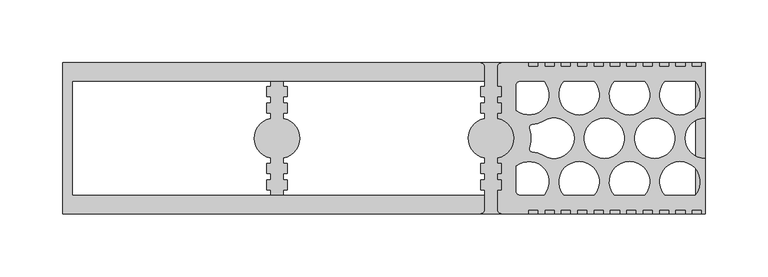
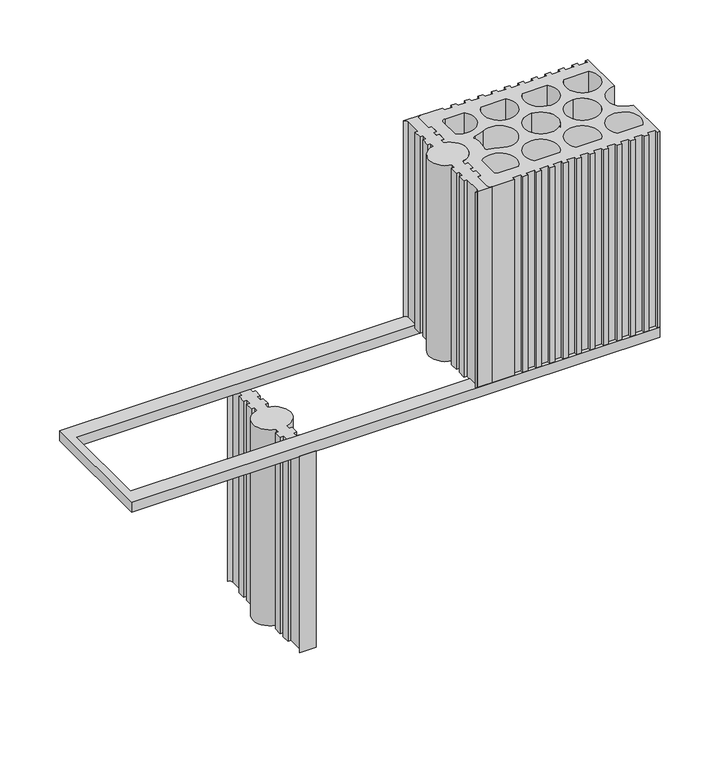
"""IFC4 building model written with IfcOpenShell, lengths in millimetres: plate geometry."""

from ifc_helpers import new_model, si_unit, point, frame, frame_2d, origin, place, context, project, spatial, polyline, circle_curve, trimmed, segment, composite_curve, outline, extrude, source, transform, mapped, element, save
from ifc_brep_helpers import plane_surface, cylinder_surface, revolved_surface, advanced_brep


def plate_8542ffeb(model_context):
    return source(origin(), model_context, "Body", "SolidModel", [
        advanced_brep(
        [(-89.9998399, -40.9999178, 200.0), (-89.9998399, -56.9998835, 200.0), (-92.9997277, -59.9998788, 200.0), (-76.9999521, -59.9998788, 200.0), (-79.9998399, -56.9998835, 200.0), (-79.9998399, -40.9999178, 200.0), (-76.999825, -40.9999178, 200.0), (-76.999825, -32.9999326, 200.0), (-79.9998399, -32.9999326, 200.0), (-79.9998399, -28.0000895, 200.0), (-76.999825, -28.0000895, 200.0), (-76.999825, -19.9999605, 200.0), (-79.9998399, -19.9999605, 200.0), (-79.9998399, -15.7162044, 200.0), (-79.9998399, 15.7162071, 200.0), (-79.9998399, 19.9999578, 200.0), (-76.999825, 19.9999578, 200.0), (-76.999825, 27.999943, 200.0), (-79.9998399, 27.999943, 200.0), (-79.9998399, 32.9999355, 200.0), (-76.999825, 32.9999355, 200.0), (-76.999825, 40.9999207, 200.0), (-79.9998399, 40.9999207, 200.0), (-79.9998399, 56.9998835, 200.0), (-76.999825, 59.9998761, 200.0), (-92.9998548, 59.9998761, 200.0), (-89.9998399, 56.9998835, 200.0), (-89.9998399, 40.9999207, 200.0), (-92.9998548, 40.9999207, 200.0), (-92.9998548, 32.9999355, 200.0), (-89.9998399, 32.9999355, 200.0), (-89.9998399, 27.999943, 200.0), (-92.9998548, 27.999943, 200.0), (-92.9998548, 19.9999578, 200.0), (-89.9998399, 19.9999578, 200.0), (-89.9998399, 15.7162071, 200.0), (-89.9998399, -15.7162044, 200.0), (-89.9998399, -19.9999605, 200.0), (-92.9998548, -19.9999605, 200.0), (-92.9998548, -27.9999419, 200.0), (-89.9998399, -27.9999419, 200.0), (-89.9998399, -32.9999326, 200.0), (-92.9998548, -32.9999326, 200.0), (-92.9998548, -40.9999178, 200.0), (-89.9998399, -40.9999178, 0.0), (-92.9998548, -40.9999178, 0.0), (-92.9998548, -32.9999326, 0.0), (-89.9998399, -32.9999326, 0.0), (-89.9998399, -27.9999419, 0.0), (-92.9998548, -27.9999419, 0.0), (-92.9998548, -19.9999605, 0.0), (-89.9998399, -19.9999605, 0.0), (-89.9998399, -15.7162044, 0.0), (-89.9998399, 15.7162071, 0.0), (-89.9998399, 19.9999578, 0.0), (-92.9998548, 19.9999578, 0.0), (-92.9998548, 27.999943, 0.0), (-89.9998399, 27.999943, 0.0), (-89.9998399, 32.9999355, 0.0), (-92.9998548, 32.9999355, 0.0), (-92.9998548, 40.9999207, 0.0), (-89.9998399, 40.9999207, 0.0), (-89.9998399, 56.9998835, 0.0), (-92.9998548, 59.9998761, 0.0), (-76.999825, 59.9998761, 0.0), (-79.9998399, 56.9998835, 0.0), (-79.9998399, 40.9999207, 0.0), (-76.999825, 40.9999207, 0.0), (-76.999825, 32.9999355, 0.0), (-79.9998399, 32.9999355, 0.0), (-79.9998399, 27.999943, 0.0), (-76.999825, 27.999943, 0.0), (-76.999825, 19.9999578, 0.0), (-79.9998399, 19.9999578, 0.0), (-79.9998399, 15.7162071, 0.0), (-79.9998399, -15.7162044, 0.0), (-79.9998399, -19.9999605, 0.0), (-76.999825, -19.9999605, 0.0), (-76.999825, -28.0000895, 0.0), (-79.9998399, -28.0000895, 0.0), (-79.9998399, -32.9999326, 0.0), (-76.999825, -32.9999326, 0.0), (-76.999825, -40.9999178, 0.0), (-79.9998399, -40.9999178, 0.0), (-79.9998399, -56.9998835, 0.0), (-76.9999521, -59.9998788, 0.0), (-92.9997277, -59.9998788, 0.0), (-89.9998399, -56.9998835, 0.0)],
        [
            (0, 1),
            (1, 2, circle_curve(frame((-92.9378077, -57.0619088, 200.0), z_axis=(0.0, 0.0, -1.0), x_axis=(1.0, 0.0, 0.0)), 2.9386225)),
            (2, 3),
            (3, 4, circle_curve(frame((-77.0618721, -57.0619088, 200.0), z_axis=(0.0, 0.0, -1.0), x_axis=(1.0, 0.0, 0.0)), 2.9386225)),
            (4, 5),
            (5, 6),
            (6, 7),
            (7, 8),
            (8, 9),
            (9, 10),
            (10, 11),
            (11, 12),
            (12, 13),
            (13, 14, circle_curve(frame((-82.9998224, 1.4e-06, 200.0), z_axis=(0.0, 0.0, 1.0), x_axis=(1.0, 0.0, 0.0)), 15.9999693)),
            (14, 15),
            (15, 16),
            (16, 17),
            (17, 18),
            (18, 19),
            (19, 20),
            (20, 21),
            (21, 22),
            (22, 23),
            (23, 24, circle_curve(frame((-77.0618721, 57.0619088, 200.0), z_axis=(0.0, 0.0, -1.0), x_axis=(1.0, 0.0, 0.0)), 2.9386225)),
            (24, 25),
            (25, 26, circle_curve(frame((-92.9378077, 57.0619088, 200.0), z_axis=(0.0, 0.0, -1.0), x_axis=(1.0, 0.0, 0.0)), 2.9386225)),
            (26, 27),
            (27, 28),
            (28, 29),
            (29, 30),
            (30, 31),
            (31, 32),
            (32, 33),
            (33, 34),
            (34, 35),
            (35, 36, circle_curve(frame((-86.9998574, 1.4e-06, 200.0), z_axis=(0.0, 0.0, 1.0), x_axis=(1.0, 0.0, 0.0)), 15.9999693)),
            (36, 37),
            (37, 38),
            (38, 39),
            (39, 40),
            (40, 41),
            (41, 42),
            (42, 43),
            (43, 0),
            (44, 45),
            (45, 46),
            (46, 47),
            (47, 48),
            (48, 49),
            (49, 50),
            (50, 51),
            (51, 52),
            (52, 53, circle_curve(frame((-86.9998574, 1.4e-06, 0.0), z_axis=(0.0, 0.0, -1.0), x_axis=(1.0, 0.0, 0.0)), 15.9999693)),
            (53, 54),
            (54, 55),
            (55, 56),
            (56, 57),
            (57, 58),
            (58, 59),
            (59, 60),
            (60, 61),
            (61, 62),
            (62, 63, circle_curve(frame((-92.9378077, 57.0619088, 0.0), z_axis=(0.0, 0.0, 1.0), x_axis=(1.0, 0.0, 0.0)), 2.9386225)),
            (63, 64),
            (64, 65, circle_curve(frame((-77.0618721, 57.0619088, 0.0), z_axis=(0.0, 0.0, 1.0), x_axis=(1.0, 0.0, 0.0)), 2.9386225)),
            (65, 66),
            (66, 67),
            (67, 68),
            (68, 69),
            (69, 70),
            (70, 71),
            (71, 72),
            (72, 73),
            (73, 74),
            (74, 75, circle_curve(frame((-82.9998224, 1.4e-06, 0.0), z_axis=(0.0, 0.0, -1.0), x_axis=(1.0, 0.0, 0.0)), 15.9999693)),
            (75, 76),
            (76, 77),
            (77, 78),
            (78, 79),
            (79, 80),
            (80, 81),
            (81, 82),
            (82, 83),
            (83, 84),
            (84, 85, circle_curve(frame((-77.0618721, -57.0619088, 0.0), z_axis=(0.0, 0.0, 1.0), x_axis=(1.0, 0.0, 0.0)), 2.9386225)),
            (85, 86),
            (86, 87, circle_curve(frame((-92.9378077, -57.0619088, 0.0), z_axis=(0.0, 0.0, 1.0), x_axis=(1.0, 0.0, 0.0)), 2.9386225)),
            (87, 44),
            (0, 44),
            (87, 1),
            (86, 2),
            (85, 3),
            (84, 4),
            (83, 5),
            (22, 66),
            (65, 23),
            (64, 24),
            (63, 25),
            (62, 26),
            (61, 27),
            (82, 6),
            (81, 7),
            (80, 8),
            (79, 9),
            (78, 10),
            (77, 11),
            (76, 12),
            (75, 13),
            (74, 14),
            (73, 15),
            (72, 16),
            (71, 17),
            (70, 18),
            (69, 19),
            (68, 20),
            (67, 21),
            (60, 28),
            (59, 29),
            (58, 30),
            (57, 31),
            (56, 32),
            (55, 33),
            (54, 34),
            (53, 35),
            (52, 36),
            (51, 37),
            (50, 38),
            (49, 39),
            (48, 40),
            (47, 41),
            (46, 42),
            (45, 43),
        ],
        [
            plane_surface(frame((-89.9998399, -56.9998835, 200.0), z_axis=(0.0, 0.0, 1.0), x_axis=(0.0, -1.0, 0.0))),
            plane_surface(frame((-89.9998399, -56.9998835, 0.0), z_axis=(0.0, 0.0, -1.0), x_axis=(0.0, 1.0, 0.0))),
            plane_surface(frame((-89.9998399, -40.9999178, 200.0), z_axis=(-1.0, 0.0, 0.0), x_axis=(0.0, 0.0, -1.0))),
            revolved_surface(polyline([(-89.9991852, -57.0619088, 0.0), (-89.9991852, -57.0619088, 200.0)]), (-92.9378077, -57.0619088, 0.0), (0.0, 0.0, -1.0)),
            plane_surface(frame((-92.9997277, -59.9998788, 200.0), z_axis=(0.0, -1.0, 0.0), x_axis=(0.0, 0.0, -1.0))),
            revolved_surface(polyline([(-74.12324960000001, -57.0619088, 0.0), (-74.12324960000001, -57.0619088, 200.0)]), (-77.0618721, -57.0619088, 0.0), (0.0, 0.0, -1.0)),
            plane_surface(frame((-79.9998399, -56.9998835, 200.0), z_axis=(1.0, 0.0, 0.0), x_axis=(0.0, 0.0, -1.0))),
            plane_surface(frame((-79.9998399, 40.9999207, 200.0), z_axis=(1.0, 0.0, 0.0), x_axis=(0.0, 0.0, -1.0))),
            revolved_surface(polyline([(-74.12324960000001, 57.0619088, 0.0), (-74.12324960000001, 57.0619088, 200.0)]), (-77.0618721, 57.0619088, 0.0), (0.0, 0.0, -1.0)),
            plane_surface(frame((-76.999825, 59.9998761, 200.0), z_axis=(0.0, 1.0, 0.0), x_axis=(0.0, 0.0, -1.0))),
            revolved_surface(polyline([(-89.9991852, 57.0619088, 0.0), (-89.9991852, 57.0619088, 200.0)]), (-92.9378077, 57.0619088, 0.0), (0.0, 0.0, -1.0)),
            plane_surface(frame((-89.9998399, 56.9998835, 200.0), z_axis=(-1.0, 0.0, 0.0), x_axis=(0.0, 0.0, -1.0))),
            plane_surface(frame((-79.9998399, -40.9999178, 200.0), z_axis=(0.0, -1.0, 0.0), x_axis=(0.0, 0.0, -1.0))),
            plane_surface(frame((-76.999825, -40.9999178, 200.0), z_axis=(1.0, 0.0, 0.0), x_axis=(0.0, 0.0, -1.0))),
            plane_surface(frame((-76.999825, -32.9999326, 200.0), z_axis=(0.0, 1.0, 0.0), x_axis=(0.0, 0.0, -1.0))),
            plane_surface(frame((-79.9998399, -32.9999326, 200.0), z_axis=(1.0, 0.0, 0.0), x_axis=(0.0, 0.0, -1.0))),
            plane_surface(frame((-79.9998399, -28.0000895, 200.0), z_axis=(0.0, -1.0, 0.0), x_axis=(0.0, 0.0, -1.0))),
            plane_surface(frame((-76.999825, -28.0000895, 200.0), z_axis=(1.0, 0.0, 0.0), x_axis=(0.0, 0.0, -1.0))),
            plane_surface(frame((-76.999825, -19.9999605, 200.0), z_axis=(0.0, 1.0, 0.0), x_axis=(0.0, 0.0, -1.0))),
            plane_surface(frame((-79.9998399, -19.9999605, 200.0), z_axis=(1.0, 0.0, 0.0), x_axis=(0.0, 0.0, -1.0))),
            cylinder_surface(frame((-82.9998224, 1.4e-06, 0.0), z_axis=(0.0, 0.0, 1.0), x_axis=(1.0, 0.0, 0.0)), 15.9999693),
            plane_surface(frame((-79.9998399, 15.7162071, 200.0), z_axis=(1.0, 0.0, 0.0), x_axis=(0.0, 0.0, -1.0))),
            plane_surface(frame((-79.9998399, 19.9999578, 200.0), z_axis=(0.0, -1.0, 0.0), x_axis=(0.0, 0.0, -1.0))),
            plane_surface(frame((-76.999825, 19.9999578, 200.0), z_axis=(1.0, 0.0, 0.0), x_axis=(0.0, 0.0, -1.0))),
            plane_surface(frame((-76.999825, 27.999943, 200.0), z_axis=(0.0, 1.0, 0.0), x_axis=(0.0, 0.0, -1.0))),
            plane_surface(frame((-79.9998399, 27.999943, 200.0), z_axis=(1.0, 0.0, 0.0), x_axis=(0.0, 0.0, -1.0))),
            plane_surface(frame((-79.9998399, 32.9999355, 200.0), z_axis=(0.0, -1.0, 0.0), x_axis=(0.0, 0.0, -1.0))),
            plane_surface(frame((-76.999825, 32.9999355, 200.0), z_axis=(1.0, 0.0, 0.0), x_axis=(0.0, 0.0, -1.0))),
            plane_surface(frame((-76.999825, 40.9999207, 200.0), z_axis=(0.0, 1.0, 0.0), x_axis=(0.0, 0.0, -1.0))),
            plane_surface(frame((-89.9998399, 40.9999207, 200.0), z_axis=(0.0, 1.0, 0.0), x_axis=(0.0, 0.0, -1.0))),
            plane_surface(frame((-92.9998548, 40.9999207, 200.0), z_axis=(-1.0, 0.0, 0.0), x_axis=(0.0, 0.0, -1.0))),
            plane_surface(frame((-92.9998548, 32.9999355, 200.0), z_axis=(0.0, -1.0, 0.0), x_axis=(0.0, 0.0, -1.0))),
            plane_surface(frame((-89.9998399, 32.9999355, 200.0), z_axis=(-1.0, 0.0, 0.0), x_axis=(0.0, 0.0, -1.0))),
            plane_surface(frame((-89.9998399, 27.999943, 200.0), z_axis=(0.0, 1.0, 0.0), x_axis=(0.0, 0.0, -1.0))),
            plane_surface(frame((-92.9998548, 27.999943, 200.0), z_axis=(-1.0, 0.0, 0.0), x_axis=(0.0, 0.0, -1.0))),
            plane_surface(frame((-92.9998548, 19.9999578, 200.0), z_axis=(0.0, -1.0, 0.0), x_axis=(0.0, 0.0, -1.0))),
            plane_surface(frame((-89.9998399, 19.9999578, 200.0), z_axis=(-1.0, 0.0, 0.0), x_axis=(0.0, 0.0, -1.0))),
            cylinder_surface(frame((-86.9998574, 1.4e-06, 0.0), z_axis=(0.0, 0.0, 1.0), x_axis=(1.0, 0.0, 0.0)), 15.9999693),
            plane_surface(frame((-89.9998399, -15.7162044, 200.0), z_axis=(-1.0, 0.0, 0.0), x_axis=(0.0, 0.0, -1.0))),
            plane_surface(frame((-89.9998399, -19.9999605, 200.0), z_axis=(0.0, 1.0, 0.0), x_axis=(0.0, 0.0, -1.0))),
            plane_surface(frame((-92.9998548, -19.9999605, 200.0), z_axis=(-1.0, 0.0, 0.0), x_axis=(0.0, 0.0, -1.0))),
            plane_surface(frame((-92.9998548, -27.9999419, 200.0), z_axis=(0.0, -1.0, 0.0), x_axis=(0.0, 0.0, -1.0))),
            plane_surface(frame((-89.9998399, -27.9999419, 200.0), z_axis=(-1.0, 0.0, 0.0), x_axis=(0.0, 0.0, -1.0))),
            plane_surface(frame((-89.9998399, -32.9999326, 200.0), z_axis=(0.0, 1.0, 0.0), x_axis=(0.0, 0.0, -1.0))),
            plane_surface(frame((-92.9998548, -32.9999326, 200.0), z_axis=(-1.0, 0.0, 0.0), x_axis=(0.0, 0.0, -1.0))),
            plane_surface(frame((-92.9998548, -40.9999178, 200.0), z_axis=(0.0, -1.0, 0.0), x_axis=(0.0, 0.0, -1.0))),
        ],
        [
            (0, [[1, 2, 3, 4, 5, 6, 7, 8, 9, 10, 11, 12, 13, 14, 15, 16, 17, 18, 19, 20, 21, 22, 23, 24, 25, 26, 27, 28, 29, 30, 31, 32, 33, 34, 35, 36, 37, 38, 39, 40, 41, 42, 43, 44]]),
            (1, [[45, 46, 47, 48, 49, 50, 51, 52, 53, 54, 55, 56, 57, 58, 59, 60, 61, 62, 63, 64, 65, 66, 67, 68, 69, 70, 71, 72, 73, 74, 75, 76, 77, 78, 79, 80, 81, 82, 83, 84, 85, 86, 87, 88]]),
            (2, [[-1, 89, -88, 90]]),
            (3, [[-2, -90, -87, 91]]),
            (4, [[-3, -91, -86, 92]]),
            (5, [[-4, -92, -85, 93]]),
            (6, [[-5, -93, -84, 94]]),
            (7, [[-23, 95, -66, 96]]),
            (8, [[-24, -96, -65, 97]]),
            (9, [[-25, -97, -64, 98]]),
            (10, [[-26, -98, -63, 99]]),
            (11, [[-27, -99, -62, 100]]),
            (12, [[-6, -94, -83, 101]]),
            (13, [[-7, -101, -82, 102]]),
            (14, [[-8, -102, -81, 103]]),
            (15, [[-9, -103, -80, 104]]),
            (16, [[-10, -104, -79, 105]]),
            (17, [[-11, -105, -78, 106]]),
            (18, [[-12, -106, -77, 107]]),
            (19, [[-13, -107, -76, 108]]),
            (20, [[-14, -108, -75, 109]]),
            (21, [[-15, -109, -74, 110]]),
            (22, [[-16, -110, -73, 111]]),
            (23, [[-17, -111, -72, 112]]),
            (24, [[-18, -112, -71, 113]]),
            (25, [[-19, -113, -70, 114]]),
            (26, [[-20, -114, -69, 115]]),
            (27, [[-21, -115, -68, 116]]),
            (28, [[-22, -116, -67, -95]]),
            (29, [[-28, -100, -61, 117]]),
            (30, [[-29, -117, -60, 118]]),
            (31, [[-30, -118, -59, 119]]),
            (32, [[-31, -119, -58, 120]]),
            (33, [[-32, -120, -57, 121]]),
            (34, [[-33, -121, -56, 122]]),
            (35, [[-34, -122, -55, 123]]),
            (36, [[-35, -123, -54, 124]]),
            (37, [[-36, -124, -53, 125]]),
            (38, [[-37, -125, -52, 126]]),
            (39, [[-38, -126, -51, 127]]),
            (40, [[-39, -127, -50, 128]]),
            (41, [[-40, -128, -49, 129]]),
            (42, [[-41, -129, -48, 130]]),
            (43, [[-42, -130, -47, 131]]),
            (44, [[-43, -131, -46, 132]]),
            (45, [[-44, -132, -45, -89]]),
        ],
    ),
        extrude(outline(polyline([(-254.9995197, 59.9998801), (254.9995197, 59.9998801), (254.9995197, -59.9998788), (-254.9995197, -59.9998788), (-254.9995197, 59.9998801)]), holes=[polyline([(247.1934492, 44.9999121), (-247.1934394, 44.9999121), (-247.1934394, -44.9999108), (247.1934492, -44.9999108), (247.1934492, 44.9999121)])]), frame((0.0, 0.0, 200.0), z_axis=(0.0, 0.0, 1.0), x_axis=(1.0, 0.0, 0.0)), (0.0, 0.0, 1.0), 10.0),
        advanced_brep(
        [(89.9998399, 40.9999193, 410.0), (89.9998399, 56.9998822, 410.0), (92.9995342, 59.9998815, 410.0), (77.0001456, 59.9998815, 410.0), (79.9998399, 56.9998822, 410.0), (79.9998399, 40.9999193, 410.0), (76.999825, 40.9999193, 410.0), (76.999825, 32.9999342, 410.0), (79.9998399, 32.9999342, 410.0), (79.9998399, 27.9999416, 410.0), (76.999825, 27.9999416, 410.0), (76.999825, 19.9999565, 410.0), (79.9998399, 19.9999565, 410.0), (79.9998399, 15.7162058, 410.0), (79.9998399, -15.7162058, 410.0), (79.9998399, -19.9999618, 410.0), (76.999825, -19.9999618, 410.0), (76.999825, -27.9999433, 410.0), (79.9998399, -27.9999433, 410.0), (79.9998399, -32.999934, 410.0), (76.999825, -32.999934, 410.0), (76.999825, -40.9999191, 410.0), (79.9998399, -40.9999191, 410.0), (79.9998399, -56.9998849, 410.0), (76.9998878, -59.9998788, 410.0), (92.999792, -59.9998788, 410.0), (89.9998399, -56.9998849, 410.0), (89.9998399, -40.9999191, 410.0), (92.9998548, -40.9999191, 410.0), (92.9998548, -32.999934, 410.0), (89.9998399, -32.999934, 410.0), (89.9998399, -28.0000909, 410.0), (92.9998548, -28.0000909, 410.0), (92.9998548, -19.9999618, 410.0), (89.9998399, -19.9999618, 410.0), (89.9998399, -15.7162058, 410.0), (89.9998399, 15.7162058, 410.0), (89.9998399, 19.9999565, 410.0), (92.9998548, 19.9999565, 410.0), (92.9998548, 27.9999416, 410.0), (89.9998399, 27.9999416, 410.0), (89.9998399, 32.9999342, 410.0), (92.9998548, 32.9999342, 410.0), (92.9998548, 40.9999193, 410.0), (89.9998399, 40.9999193, 210.0), (92.9998548, 40.9999193, 210.0), (92.9998548, 32.9999342, 210.0), (89.9998399, 32.9999342, 210.0), (89.9998399, 27.9999416, 210.0), (92.9998548, 27.9999416, 210.0), (92.9998548, 19.9999565, 210.0), (89.9998399, 19.9999565, 210.0), (89.9998399, 15.7162058, 210.0), (89.9998399, -15.7162058, 210.0), (89.9998399, -19.9999618, 210.0), (92.9998548, -19.9999618, 210.0), (92.9998548, -28.0000909, 210.0), (89.9998399, -28.0000909, 210.0), (89.9998399, -32.999934, 210.0), (92.9998548, -32.999934, 210.0), (92.9998548, -40.9999191, 210.0), (89.9998399, -40.9999191, 210.0), (89.9998399, -56.9998849, 210.0), (92.999792, -59.9998788, 210.0), (76.9998878, -59.9998788, 210.0), (79.9998399, -56.9998849, 210.0), (79.9998399, -40.9999191, 210.0), (76.999825, -40.9999191, 210.0), (76.999825, -32.999934, 210.0), (79.9998399, -32.999934, 210.0), (79.9998399, -27.9999433, 210.0), (76.999825, -27.9999433, 210.0), (76.999825, -19.9999618, 210.0), (79.9998399, -19.9999618, 210.0), (79.9998399, -15.7162058, 210.0), (79.9998399, 15.7162058, 210.0), (79.9998399, 19.9999565, 210.0), (76.999825, 19.9999565, 210.0), (76.999825, 27.9999416, 210.0), (79.9998399, 27.9999416, 210.0), (79.9998399, 32.9999342, 210.0), (76.999825, 32.9999342, 210.0), (76.999825, 40.9999193, 210.0), (79.9998399, 40.9999193, 210.0), (79.9998399, 56.9998822, 210.0), (77.0001456, 59.9998815, 210.0), (92.9995342, 59.9998815, 210.0), (89.9998399, 56.9998822, 210.0)],
        [
            (0, 1),
            (1, 2, circle_curve(frame((92.9378077, 57.0619074, 410.0), z_axis=(0.0, 0.0, -1.0), x_axis=(0.0, 1.0, 0.0)), 2.9386225)),
            (2, 3),
            (3, 4, circle_curve(frame((77.0618721, 57.0619074, 410.0), z_axis=(0.0, 0.0, -1.0), x_axis=(0.0, 1.0, 0.0)), 2.9386225)),
            (4, 5),
            (5, 6),
            (6, 7),
            (7, 8),
            (8, 9),
            (9, 10),
            (10, 11),
            (11, 12),
            (12, 13),
            (13, 14, circle_curve(frame((82.9998224, 0.0, 410.0), z_axis=(0.0, 0.0, 1.0), x_axis=(0.0, 1.0, 0.0)), 15.9999693)),
            (14, 15),
            (15, 16),
            (16, 17),
            (17, 18),
            (18, 19),
            (19, 20),
            (20, 21),
            (21, 22),
            (22, 23),
            (23, 24, circle_curve(frame((77.0618721, -57.0619101, 410.0), z_axis=(0.0, 0.0, -1.0), x_axis=(0.0, 1.0, 0.0)), 2.9386225)),
            (24, 25),
            (25, 26, circle_curve(frame((92.9378077, -57.0619101, 410.0), z_axis=(0.0, 0.0, -1.0), x_axis=(0.0, 1.0, 0.0)), 2.9386225)),
            (26, 27),
            (27, 28),
            (28, 29),
            (29, 30),
            (30, 31),
            (31, 32),
            (32, 33),
            (33, 34),
            (34, 35),
            (35, 36, circle_curve(frame((86.9998574, 0.0, 410.0), z_axis=(0.0, 0.0, 1.0), x_axis=(0.0, 1.0, 0.0)), 15.9999693)),
            (36, 37),
            (37, 38),
            (38, 39),
            (39, 40),
            (40, 41),
            (41, 42),
            (42, 43),
            (43, 0),
            (44, 45),
            (45, 46),
            (46, 47),
            (47, 48),
            (48, 49),
            (49, 50),
            (50, 51),
            (51, 52),
            (52, 53, circle_curve(frame((86.9998574, 0.0, 210.0), z_axis=(0.0, 0.0, -1.0), x_axis=(0.0, 1.0, 0.0)), 15.9999693)),
            (53, 54),
            (54, 55),
            (55, 56),
            (56, 57),
            (57, 58),
            (58, 59),
            (59, 60),
            (60, 61),
            (61, 62),
            (62, 63, circle_curve(frame((92.9378077, -57.0619101, 210.0), z_axis=(0.0, 0.0, 1.0), x_axis=(0.0, 1.0, 0.0)), 2.9386225)),
            (63, 64),
            (64, 65, circle_curve(frame((77.0618721, -57.0619101, 210.0), z_axis=(0.0, 0.0, 1.0), x_axis=(0.0, 1.0, 0.0)), 2.9386225)),
            (65, 66),
            (66, 67),
            (67, 68),
            (68, 69),
            (69, 70),
            (70, 71),
            (71, 72),
            (72, 73),
            (73, 74),
            (74, 75, circle_curve(frame((82.9998224, 0.0, 210.0), z_axis=(0.0, 0.0, -1.0), x_axis=(0.0, 1.0, 0.0)), 15.9999693)),
            (75, 76),
            (76, 77),
            (77, 78),
            (78, 79),
            (79, 80),
            (80, 81),
            (81, 82),
            (82, 83),
            (83, 84),
            (84, 85, circle_curve(frame((77.0618721, 57.0619074, 210.0), z_axis=(0.0, 0.0, 1.0), x_axis=(0.0, 1.0, 0.0)), 2.9386225)),
            (85, 86),
            (86, 87, circle_curve(frame((92.9378077, 57.0619074, 210.0), z_axis=(0.0, 0.0, 1.0), x_axis=(0.0, 1.0, 0.0)), 2.9386225)),
            (87, 44),
            (0, 44),
            (87, 1),
            (2, 86),
            (85, 3),
            (4, 84),
            (83, 5),
            (22, 66),
            (65, 23),
            (24, 64),
            (63, 25),
            (26, 62),
            (61, 27),
            (82, 6),
            (81, 7),
            (80, 8),
            (79, 9),
            (78, 10),
            (77, 11),
            (76, 12),
            (75, 13),
            (74, 14),
            (73, 15),
            (72, 16),
            (71, 17),
            (70, 18),
            (69, 19),
            (68, 20),
            (67, 21),
            (60, 28),
            (59, 29),
            (58, 30),
            (57, 31),
            (56, 32),
            (55, 33),
            (54, 34),
            (53, 35),
            (52, 36),
            (51, 37),
            (50, 38),
            (49, 39),
            (48, 40),
            (47, 41),
            (46, 42),
            (45, 43),
        ],
        [
            plane_surface(frame((89.9998399, 47.1241744, 410.0), z_axis=(0.0, 0.0, 1.0), x_axis=(0.0, 1.0, 0.0))),
            plane_surface(frame((89.9998399, 47.1241744, 210.0), z_axis=(0.0, 0.0, -1.0), x_axis=(0.0, -1.0, 0.0))),
            plane_surface(frame((89.9998399, 40.9999193, 410.0), z_axis=(1.0, 0.0, 0.0), x_axis=(0.0, 0.0, -1.0))),
            plane_surface(frame((92.9995342, 59.9998815, 410.0), z_axis=(0.0, 1.0, 0.0), x_axis=(0.0, 0.0, -1.0))),
            plane_surface(frame((79.9998399, 56.9998822, 410.0), z_axis=(-1.0, 0.0, 0.0), x_axis=(0.0, 0.0, -1.0))),
            plane_surface(frame((79.9998399, -40.9999191, 410.0), z_axis=(-1.0, 0.0, 0.0), x_axis=(0.0, 0.0, -1.0))),
            plane_surface(frame((76.9998878, -59.9998788, 410.0), z_axis=(0.0, -1.0, 0.0), x_axis=(0.0, 0.0, -1.0))),
            plane_surface(frame((89.9998399, -56.9998849, 410.0), z_axis=(1.0, 0.0, 0.0), x_axis=(0.0, 0.0, -1.0))),
            revolved_surface(polyline([(92.9378077, 60.000529900000004, 210.0), (92.9378077, 60.000529900000004, 410.0)]), (92.9378077, 57.0619074, 210.0), (0.0, 0.0, -1.0)),
            revolved_surface(polyline([(77.0618721, 60.000529900000004, 210.0), (77.0618721, 60.000529900000004, 410.0)]), (77.0618721, 57.0619074, 210.0), (0.0, 0.0, -1.0)),
            revolved_surface(polyline([(77.0618721, -54.1232876, 210.0), (77.0618721, -54.1232876, 410.0)]), (77.0618721, -57.0619101, 210.0), (0.0, 0.0, -1.0)),
            revolved_surface(polyline([(92.9378077, -54.1232876, 210.0), (92.9378077, -54.1232876, 410.0)]), (92.9378077, -57.0619101, 210.0), (0.0, 0.0, -1.0)),
            plane_surface(frame((79.9998399, 40.9999193, 410.0), z_axis=(0.0, 1.0, 0.0), x_axis=(0.0, 0.0, -1.0))),
            plane_surface(frame((76.999825, 40.9999193, 410.0), z_axis=(-1.0, 0.0, 0.0), x_axis=(0.0, 0.0, -1.0))),
            plane_surface(frame((76.999825, 32.9999342, 410.0), z_axis=(0.0, -1.0, 0.0), x_axis=(0.0, 0.0, -1.0))),
            plane_surface(frame((79.9998399, 32.9999342, 410.0), z_axis=(-1.0, 0.0, 0.0), x_axis=(0.0, 0.0, -1.0))),
            plane_surface(frame((79.9998399, 27.9999416, 410.0), z_axis=(0.0, 1.0, 0.0), x_axis=(0.0, 0.0, -1.0))),
            plane_surface(frame((76.999825, 27.9999416, 410.0), z_axis=(-1.0, 0.0, 0.0), x_axis=(0.0, 0.0, -1.0))),
            plane_surface(frame((76.999825, 19.9999565, 410.0), z_axis=(0.0, -1.0, 0.0), x_axis=(0.0, 0.0, -1.0))),
            plane_surface(frame((79.9998399, 19.9999565, 410.0), z_axis=(-1.0, 0.0, 0.0), x_axis=(0.0, 0.0, -1.0))),
            cylinder_surface(frame((82.9998224, 0.0, 210.0), z_axis=(0.0, 0.0, 1.0), x_axis=(0.0, 1.0, 0.0)), 15.9999693),
            plane_surface(frame((79.9998399, -15.7162058, 410.0), z_axis=(-1.0, 0.0, 0.0), x_axis=(0.0, 0.0, -1.0))),
            plane_surface(frame((79.9998399, -19.9999618, 410.0), z_axis=(0.0, 1.0, 0.0), x_axis=(0.0, 0.0, -1.0))),
            plane_surface(frame((76.999825, -19.9999618, 410.0), z_axis=(-1.0, 0.0, 0.0), x_axis=(0.0, 0.0, -1.0))),
            plane_surface(frame((76.999825, -27.9999433, 410.0), z_axis=(0.0, -1.0, 0.0), x_axis=(0.0, 0.0, -1.0))),
            plane_surface(frame((79.9998399, -27.9999433, 410.0), z_axis=(-1.0, 0.0, 0.0), x_axis=(0.0, 0.0, -1.0))),
            plane_surface(frame((79.9998399, -32.999934, 410.0), z_axis=(0.0, 1.0, 0.0), x_axis=(0.0, 0.0, -1.0))),
            plane_surface(frame((76.999825, -32.999934, 410.0), z_axis=(-1.0, 0.0, 0.0), x_axis=(0.0, 0.0, -1.0))),
            plane_surface(frame((76.999825, -40.9999191, 410.0), z_axis=(0.0, -1.0, 0.0), x_axis=(0.0, 0.0, -1.0))),
            plane_surface(frame((89.9998399, -40.9999191, 410.0), z_axis=(0.0, -1.0, 0.0), x_axis=(0.0, 0.0, -1.0))),
            plane_surface(frame((92.9998548, -40.9999191, 410.0), z_axis=(1.0, 0.0, 0.0), x_axis=(0.0, 0.0, -1.0))),
            plane_surface(frame((92.9998548, -32.999934, 410.0), z_axis=(0.0, 1.0, 0.0), x_axis=(0.0, 0.0, -1.0))),
            plane_surface(frame((89.9998399, -32.999934, 410.0), z_axis=(1.0, 0.0, 0.0), x_axis=(0.0, 0.0, -1.0))),
            plane_surface(frame((89.9998399, -28.0000909, 410.0), z_axis=(0.0, -1.0, 0.0), x_axis=(0.0, 0.0, -1.0))),
            plane_surface(frame((92.9998548, -28.0000909, 410.0), z_axis=(1.0, 0.0, 0.0), x_axis=(0.0, 0.0, -1.0))),
            plane_surface(frame((92.9998548, -19.9999618, 410.0), z_axis=(0.0, 1.0, 0.0), x_axis=(0.0, 0.0, -1.0))),
            plane_surface(frame((89.9998399, -19.9999618, 410.0), z_axis=(1.0, 0.0, 0.0), x_axis=(0.0, 0.0, -1.0))),
            cylinder_surface(frame((86.9998574, 0.0, 210.0), z_axis=(0.0, 0.0, 1.0), x_axis=(0.0, 1.0, 0.0)), 15.9999693),
            plane_surface(frame((89.9998399, 15.7162058, 410.0), z_axis=(1.0, 0.0, 0.0), x_axis=(0.0, 0.0, -1.0))),
            plane_surface(frame((89.9998399, 19.9999565, 410.0), z_axis=(0.0, -1.0, 0.0), x_axis=(0.0, 0.0, -1.0))),
            plane_surface(frame((92.9998548, 19.9999565, 410.0), z_axis=(1.0, 0.0, 0.0), x_axis=(0.0, 0.0, -1.0))),
            plane_surface(frame((92.9998548, 27.9999416, 410.0), z_axis=(0.0, 1.0, 0.0), x_axis=(0.0, 0.0, -1.0))),
            plane_surface(frame((89.9998399, 27.9999416, 410.0), z_axis=(1.0, 0.0, 0.0), x_axis=(0.0, 0.0, -1.0))),
            plane_surface(frame((89.9998399, 32.9999342, 410.0), z_axis=(0.0, -1.0, 0.0), x_axis=(0.0, 0.0, -1.0))),
            plane_surface(frame((92.9998548, 32.9999342, 410.0), z_axis=(1.0, 0.0, 0.0), x_axis=(0.0, 0.0, -1.0))),
            plane_surface(frame((92.9998548, 40.9999193, 410.0), z_axis=(0.0, 1.0, 0.0), x_axis=(0.0, 0.0, -1.0))),
        ],
        [
            (0, [[1, 2, 3, 4, 5, 6, 7, 8, 9, 10, 11, 12, 13, 14, 15, 16, 17, 18, 19, 20, 21, 22, 23, 24, 25, 26, 27, 28, 29, 30, 31, 32, 33, 34, 35, 36, 37, 38, 39, 40, 41, 42, 43, 44]]),
            (1, [[45, 46, 47, 48, 49, 50, 51, 52, 53, 54, 55, 56, 57, 58, 59, 60, 61, 62, 63, 64, 65, 66, 67, 68, 69, 70, 71, 72, 73, 74, 75, 76, 77, 78, 79, 80, 81, 82, 83, 84, 85, 86, 87, 88]]),
            (2, [[-1, 89, -88, 90]]),
            (3, [[-3, 91, -86, 92]]),
            (4, [[-5, 93, -84, 94]]),
            (5, [[-23, 95, -66, 96]]),
            (6, [[-25, 97, -64, 98]]),
            (7, [[-27, 99, -62, 100]]),
            (8, [[-2, -90, -87, -91]]),
            (9, [[-4, -92, -85, -93]]),
            (10, [[-24, -96, -65, -97]]),
            (11, [[-26, -98, -63, -99]]),
            (12, [[-6, -94, -83, 101]]),
            (13, [[-7, -101, -82, 102]]),
            (14, [[-8, -102, -81, 103]]),
            (15, [[-9, -103, -80, 104]]),
            (16, [[-10, -104, -79, 105]]),
            (17, [[-11, -105, -78, 106]]),
            (18, [[-12, -106, -77, 107]]),
            (19, [[-13, -107, -76, 108]]),
            (20, [[-14, -108, -75, 109]]),
            (21, [[-15, -109, -74, 110]]),
            (22, [[-16, -110, -73, 111]]),
            (23, [[-17, -111, -72, 112]]),
            (24, [[-18, -112, -71, 113]]),
            (25, [[-19, -113, -70, 114]]),
            (26, [[-20, -114, -69, 115]]),
            (27, [[-21, -115, -68, 116]]),
            (28, [[-22, -116, -67, -95]]),
            (29, [[-28, -100, -61, 117]]),
            (30, [[-29, -117, -60, 118]]),
            (31, [[-30, -118, -59, 119]]),
            (32, [[-31, -119, -58, 120]]),
            (33, [[-32, -120, -57, 121]]),
            (34, [[-33, -121, -56, 122]]),
            (35, [[-34, -122, -55, 123]]),
            (36, [[-35, -123, -54, 124]]),
            (37, [[-36, -124, -53, 125]]),
            (38, [[-37, -125, -52, 126]]),
            (39, [[-38, -126, -51, 127]]),
            (40, [[-39, -127, -50, 128]]),
            (41, [[-40, -128, -49, 129]]),
            (42, [[-41, -129, -48, 130]]),
            (43, [[-42, -130, -47, 131]]),
            (44, [[-43, -131, -46, 132]]),
            (45, [[-44, -132, -45, -89]]),
        ],
    ),
        extrude(outline(composite_curve([segment(trimmed(circle_curve(frame_2d((92.9378077, -57.0619101)), 2.9386225), [point((92.9997277, -59.9998801))], [point((89.9998399, -56.9998849))], False, "CARTESIAN"), True, "CONTINUOUS"), segment(polyline([(89.9998399, -56.9998849), (89.9998399, -40.9999191), (92.9998548, -40.9999191), (92.9998548, -32.999934), (89.9998399, -32.999934), (89.9998399, -28.0000909), (92.9998548, -28.0000909), (92.9998548, -19.9999618), (89.9998399, -19.9999618), (89.9998399, -15.7162058)]), True, "CONTINUOUS"), segment(trimmed(circle_curve(frame_2d((86.9998574, 0.0)), 15.9999693), [point((89.9998399, -15.7162058))], [point((89.9998399, 15.7162058))], True, "CARTESIAN"), True, "CONTINUOUS"), segment(polyline([(89.9998399, 15.7162058), (89.9998399, 19.9999565), (92.9998548, 19.9999565), (92.9998548, 27.9999416), (89.9998399, 27.9999416), (89.9998399, 32.9999342), (92.9998548, 32.9999342), (92.9998548, 40.9999193), (89.9998399, 40.9999193), (89.9998399, 56.9998822)]), True, "CONTINUOUS"), segment(trimmed(circle_curve(frame_2d((92.9378077, 57.0619074)), 2.9386225), [point((89.9998399, 56.9998822))], [point((92.9998548, 59.9998747))], False, "CARTESIAN"), True, "CONTINUOUS"), segment(polyline([(92.9998548, 59.9998747), (114.4998029, 59.9998747), (114.4998029, 56.9998862), (122.4997862, 56.9998862), (122.4997862, 59.9998801), (127.4997787, 59.9998801), (127.4997787, 56.9998862), (135.4997602, 56.9998862), (135.4997602, 59.9998801), (140.4997527, 59.9998801), (140.4997527, 56.9998862), (148.4997342, 56.9998862), (148.4997342, 59.9998801), (153.4997267, 59.9998801), (153.4997267, 56.9998862), (161.4997119, 56.9998862), (161.4997119, 59.9998801), (166.499697, 59.9998801), (166.499697, 56.9998862), (174.4996822, 56.9998862), (174.4996822, 59.9998801), (179.4996748, 59.9998801), (179.4996748, 56.9998862), (187.4996525, 56.9998862), (187.4996525, 59.9998801), (192.499645, 59.9998801), (192.499645, 56.9998862), (200.4996302, 56.9998862), (200.4996302, 59.9998801), (205.4996228, 59.9998801), (205.4996228, 56.9998862), (213.4996005, 56.9998862), (213.4996005, 59.9998801), (218.4995931, 59.9998801), (218.4995931, 56.9998862), (226.4995782, 56.9998862), (226.4995782, 59.9998801), (231.4995633, 59.9998801), (231.4995633, 56.9998862), (239.4995485, 56.9998862), (239.4995485, 59.9998801), (244.4995336, 59.9998801), (244.4995336, 56.9998862), (252.4995188, 56.9998862), (252.4995188, 59.9998801), (254.9995197, 59.9998801), (254.9995197, 15.9999663)]), True, "CONTINUOUS"), segment(trimmed(circle_curve(frame_2d((254.9995188, 0.0)), 15.9999663), [point((254.9995197, 15.9999663))], [point((254.9995188, -15.9999663))], True, "CARTESIAN"), True, "CONTINUOUS"), segment(polyline([(254.9995188, -15.9999663), (254.9995188, -59.9998801), (252.4995188, -59.9998801), (252.4995188, -56.9998862), (244.4995336, -56.9998862), (244.4995336, -59.9998801), (239.4995485, -59.9998801), (239.4995485, -56.9998862), (231.4995633, -56.9998862), (231.4995633, -59.9998801), (226.4995782, -59.9998801), (226.4995782, -56.9998862), (218.4995931, -56.9998862), (218.4995931, -59.9998801), (213.4996005, -59.9998801), (213.4996005, -56.9998862), (205.4996228, -56.9998862), (205.4996228, -59.9998801), (200.4996302, -59.9998801), (200.4996302, -56.9998862), (192.499645, -56.9998862), (192.499645, -59.9998801), (187.4996525, -59.9998801), (187.4996525, -56.9998862), (179.4996748, -56.9998862), (179.4996748, -59.9998801), (174.4996822, -59.9998801), (174.4996822, -56.9998862), (166.499697, -56.9998862), (166.499697, -59.9998801), (161.4997119, -59.9998801), (161.4997119, -56.9998862), (153.4997267, -56.9998862), (153.4997267, -59.9998801), (148.4997342, -59.9998801), (148.4997342, -56.9998862), (140.4997527, -56.9998862), (140.4997527, -59.9998801), (135.4997602, -59.9998801), (135.4997602, -56.9998862), (127.4997787, -56.9998862), (127.4997787, -59.9998801), (122.4997862, -59.9998801), (122.4997862, -56.9998862), (114.4998029, -56.9998862), (114.4998029, -59.9998801), (92.9997277, -59.9998801)]), True, "CONTINUOUS")], self_intersect=False), holes=[composite_curve([segment(trimmed(circle_curve(frame_2d((117.7691773, -8.7889102)), 1.999996), [point((115.8460949, -8.2396034))], [point((117.5561484, -10.7775285))], True, "CARTESIAN"), True, "CONTINUOUS"), segment(trimmed(circle_curve(frame_2d((114.9998025, -34.6409475)), 23.9999515), [point((117.5561484, -10.7775285))], [point((126.9997783, -13.8563798))], False, "CARTESIAN"), True, "CONTINUOUS"), segment(trimmed(circle_curve(frame_2d((134.9997621, -1.4e-06)), 15.9999677), [point((126.9997783, -13.8563798))], [point((126.9997783, 13.8563771))], True, "CARTESIAN"), True, "CONTINUOUS"), segment(trimmed(circle_curve(frame_2d((114.9998025, 34.6409448)), 23.9999515), [point((126.9997783, 13.8563771))], [point((117.5561484, 10.7775258))], False, "CARTESIAN"), True, "CONTINUOUS"), segment(trimmed(circle_curve(frame_2d((117.7691773, 8.7889075)), 1.999996), [point((117.5561484, 10.7775258))], [point((115.8460949, 8.2396007))], True, "CARTESIAN"), True, "CONTINUOUS"), segment(trimmed(circle_curve(frame_2d((86.9998591, -1.4e-06)), 29.9999394), [point((115.8460949, 8.2396007))], [point((115.8460949, -8.2396034))], False, "CARTESIAN"), True, "CONTINUOUS")], self_intersect=False), composite_curve([segment(polyline([(127.1936889, 44.9999081), (107.9998155, 44.9999081)]), True, "CONTINUOUS"), segment(trimmed(circle_curve(frame_2d((107.9998155, 41.9999176)), 2.9999904), [point((107.9998155, 44.9999081))], [point((104.9998251, 41.9999176))], True, "CARTESIAN"), True, "CONTINUOUS"), segment(polyline([(104.9998251, 41.9999176), (104.9998251, 22.1509747)]), True, "CONTINUOUS"), segment(trimmed(circle_curve(frame_2d((115.0005563, 34.6402144)), 15.9998667), [point((104.9998251, 22.1509747))], [point((127.1936889, 44.9999081))], True, "CARTESIAN"), True, "CONTINUOUS")], self_intersect=False), composite_curve([segment(polyline([(104.9998251, -22.1509774), (104.9998251, -41.9999203)]), True, "CONTINUOUS"), segment(trimmed(circle_curve(frame_2d((107.9998155, -41.9999203)), 2.9999904), [point((104.9998251, -41.9999203))], [point((107.9998155, -44.9999108))], True, "CARTESIAN"), True, "CONTINUOUS"), segment(polyline([(107.9998155, -44.9999108), (127.1936889, -44.9999108)]), True, "CONTINUOUS"), segment(trimmed(circle_curve(frame_2d((115.0005563, -34.6402171)), 15.9998667), [point((127.1936889, -44.9999108))], [point((104.9998251, -22.1509774))], True, "CARTESIAN"), True, "CONTINUOUS")], self_intersect=False), composite_curve([segment(trimmed(circle_curve(frame_2d((154.9997349, -34.6228668)), 16.0116774), [point((167.1936175, -44.9999108))], [point((142.8058523, -44.9999108))], True, "CARTESIAN"), True, "CONTINUOUS"), segment(polyline([(142.8058523, -44.9999108), (167.1936175, -44.9999108)]), True, "CONTINUOUS")], self_intersect=False), composite_curve([segment(trimmed(circle_curve(frame_2d((194.9996508, -34.6228668)), 16.0116774), [point((207.1935334, -44.9999108))], [point((182.8057682, -44.9999108))], True, "CARTESIAN"), True, "CONTINUOUS"), segment(polyline([(182.8057682, -44.9999108), (207.1935334, -44.9999108)]), True, "CONTINUOUS")], self_intersect=False), composite_curve([segment(trimmed(circle_curve(frame_2d((234.9995667, -34.6228668)), 16.0116774), [point((247.1934492, -44.9999108))], [point((222.8056841, -44.9999108))], True, "CARTESIAN"), True, "CONTINUOUS"), segment(polyline([(222.8056841, -44.9999108), (247.1934492, -44.9999108)]), True, "CONTINUOUS")], self_intersect=False), composite_curve([segment(trimmed(circle_curve(frame_2d((174.9996813, -1.4e-06)), 15.9999677), [point((174.9996813, -15.999969))], [point((174.9996813, 15.9999663))], True, "CARTESIAN"), True, "CONTINUOUS"), segment(trimmed(circle_curve(frame_2d((174.9996813, -1.4e-06)), 15.9999677), [point((174.9996813, 15.9999663))], [point((174.9996813, -15.999969))], True, "CARTESIAN"), True, "CONTINUOUS")], self_intersect=False), composite_curve([segment(trimmed(circle_curve(frame_2d((214.9996005, -1.4e-06)), 15.9999677), [point((214.9996005, -15.999969))], [point((214.9996005, 15.9999663))], True, "CARTESIAN"), True, "CONTINUOUS"), segment(trimmed(circle_curve(frame_2d((214.9996005, -1.4e-06)), 15.9999677), [point((214.9996005, 15.9999663))], [point((214.9996005, -15.999969))], True, "CARTESIAN"), True, "CONTINUOUS")], self_intersect=False), composite_curve([segment(polyline([(247.1934492, 44.9999108), (222.8056841, 44.9999108)]), True, "CONTINUOUS"), segment(trimmed(circle_curve(frame_2d((234.9995667, 34.6228668)), 16.0116774), [point((222.8056841, 44.9999108))], [point((247.1934492, 44.9999108))], True, "CARTESIAN"), True, "CONTINUOUS")], self_intersect=False), composite_curve([segment(polyline([(207.1935334, 44.9999108), (182.8057682, 44.9999108)]), True, "CONTINUOUS"), segment(trimmed(circle_curve(frame_2d((194.9996508, 34.6228668)), 16.0116774), [point((182.8057682, 44.9999108))], [point((207.1935334, 44.9999108))], True, "CARTESIAN"), True, "CONTINUOUS")], self_intersect=False), composite_curve([segment(polyline([(167.1936175, 44.9999108), (142.8058523, 44.9999108)]), True, "CONTINUOUS"), segment(trimmed(circle_curve(frame_2d((154.9997349, 34.6228668)), 16.0116774), [point((142.8058523, 44.9999108))], [point((167.1936175, 44.9999108))], True, "CARTESIAN"), True, "CONTINUOUS")], self_intersect=False)]), frame((0.0, 0.0, 210.0), z_axis=(0.0, 0.0, 1.0), x_axis=(1.0, 0.0, 0.0)), (0.0, 0.0, 1.0), 200.0),
    ])


if __name__ == "__main__":
    model = new_model("IFC4")
    model_context = context("Model", 3, world=origin())
    ifc_project = project(units=[si_unit("LENGTHUNIT", "METRE", prefix="MILLI")], contexts=[model_context])
    site = spatial("IfcSite", under=ifc_project)
    building = spatial("IfcBuilding", under=site)
    placement = place(None, origin())
    plate_shape = plate_8542ffeb(model_context)
    element("IfcPlate", 1, at=placement, inside=building, context=model_context, shape_type="MappedRepresentation", body=[
        mapped(plate_shape, transform((0.0, 0.0, 0.0), x_axis=(1.0, 0.0, 0.0), y_axis=(0.0, 1.0, 0.0), z_axis=(0.0, 0.0, 1.0))),
    ])
    save(model, "model.ifc")
